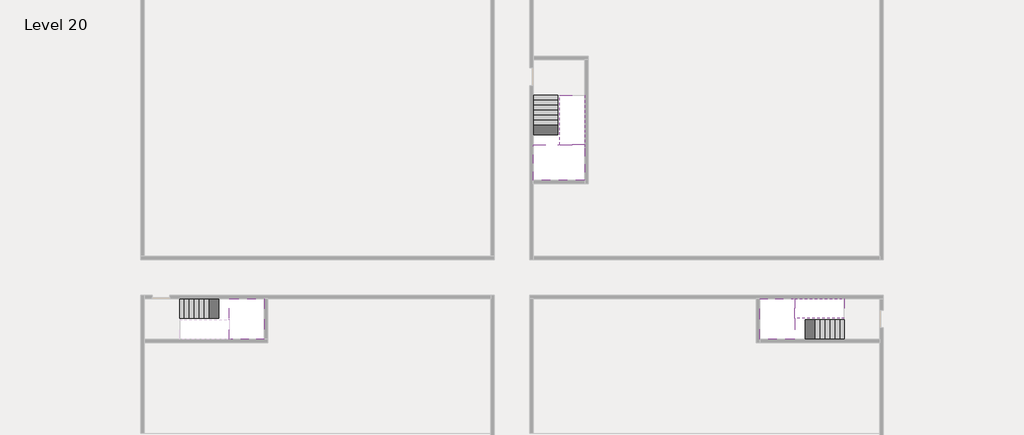
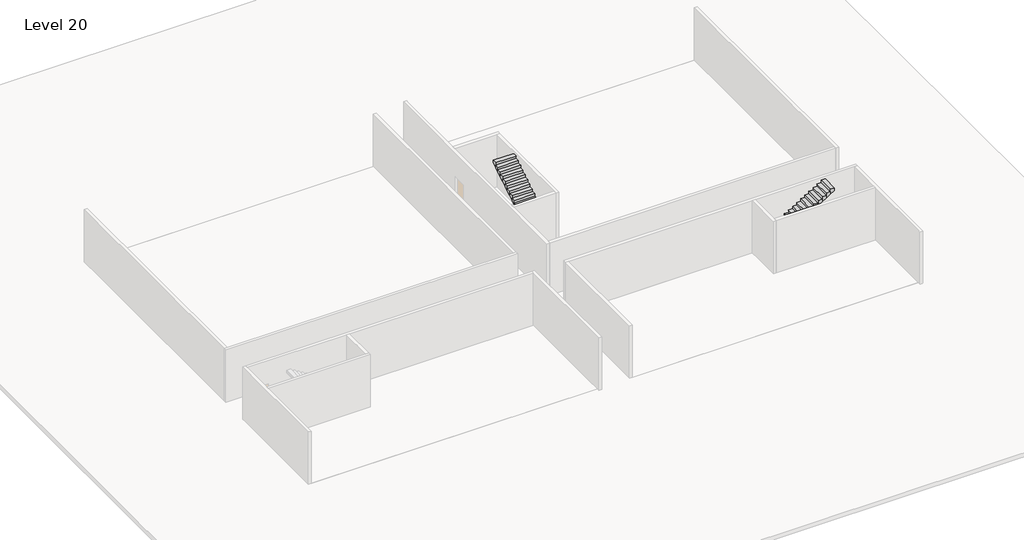
# One storey, part 2 of 2: 5 stair flights, 3 slabs.
"""IFC4 building model written with IfcOpenShell, lengths in millimetres."""

from ifc_helpers import new_model, si_unit, origin, place, context, project, spatial, faceted_brep, element, save

model = new_model("IFC4")

# Units and contexts
model_context = context("Model", 3, world=origin())
ifc_project = project(units=[si_unit("LENGTHUNIT", "METRE", prefix="MILLI")], contexts=[model_context])

# Site, building, storey
site = spatial("IfcSite", under=ifc_project)
building = spatial("IfcBuilding", under=site)
storey = spatial("IfcBuildingStorey", under=building, Name="Level 20", Elevation=72200.0)

# Slabs
placement = place(None, origin())
element("IfcSlab", 1, at=placement, inside=storey, context=model_context, shape_type="Brep", body=[
    faceted_brep([(8190.1058784, -42918.09644, 74100.0), (8190.1058784, -44018.09644, 74100.0), (8190.1058784, -44118.09644, 74100.0), (8190.1058784, -45218.09644, 74100.0), (8390.7194421, -45218.09644, 74100.0), (10190.1058784, -45218.09644, 74100.0), (10190.1058784, -42918.09644, 74100.0), (8269.4923146, -42918.09644, 74100.0), (8190.1058784, -42918.09644, 73927.2727273), (8190.1058784, -42918.09644, 73751.0278478), (8190.1058784, -44018.09644, 73751.0278478), (8190.1058784, -44018.09644, 73800.0), (8190.1058784, -44118.09644, 73800.0), (8190.1058784, -44118.09644, 73923.7551205), (8190.1058784, -45218.09644, 73923.7551205), (8390.7194421, -45218.09644, 73800.0), (10190.1058784, -45218.09644, 73800.0), (10190.1058784, -42918.09644, 73800.0), (8269.4923146, -42918.09644, 73800.0), (8390.7194421, -44118.09644, 73800.0), (8269.4923146, -44018.09644, 73800.0)], [[[0, 1, 2, 3, 4, 5, 6, 7]], [[1, 0, 8, 9, 10, 11]], [[2, 1, 11, 12, 13]], [[3, 2, 13, 14]], [[3, 14, 15, 16, 5, 4]], [[6, 5, 16, 17]], [[9, 8, 0, 7, 6, 17, 18]], [[19, 12, 11, 20, 18, 17, 16, 15]], [[12, 19, 13]], [[18, 20, 10, 9]], [[20, 11, 10]], [[19, 15, 14, 13]]]),
])
element("IfcSlab", 2, at=placement, inside=storey, context=model_context, shape_type="Brep", body=[
    faceted_brep([(40190.1058784, -45218.09644, 74100.0), (40190.1058784, -44118.09644, 74100.0), (40190.1058784, -44018.09644, 74100.0), (40190.1058784, -42918.09644, 74100.0), (39989.4923146, -42918.09644, 74100.0), (38190.1058784, -42918.09644, 74100.0), (38190.1058784, -45218.09644, 74100.0), (40110.7194421, -45218.09644, 74100.0), (40190.1058784, -45218.09644, 73927.2727273), (40190.1058784, -45218.09644, 73751.0278478), (40190.1058784, -44118.09644, 73751.0278478), (40190.1058784, -44118.09644, 73800.0), (40190.1058784, -44018.09644, 73800.0), (40190.1058784, -44018.09644, 73923.7551205), (40190.1058784, -42918.09644, 73923.7551205), (39989.4923146, -42918.09644, 73800.0), (38190.1058784, -42918.09644, 73800.0), (38190.1058784, -45218.09644, 73800.0), (40110.7194421, -45218.09644, 73800.0), (39989.4923146, -44018.09644, 73800.0), (40110.7194421, -44118.09644, 73800.0)], [[[0, 1, 2, 3, 4, 5, 6, 7]], [[1, 0, 8, 9, 10, 11]], [[2, 1, 11, 12, 13]], [[3, 2, 13, 14]], [[3, 14, 15, 16, 5, 4]], [[6, 5, 16, 17]], [[9, 8, 0, 7, 6, 17, 18]], [[19, 12, 11, 20, 18, 17, 16, 15]], [[12, 19, 13]], [[18, 20, 10, 9]], [[20, 11, 10]], [[19, 15, 14, 13]]]),
])
element("IfcSlab", 3, at=placement, inside=storey, context=model_context, shape_type="Brep", body=[
    faceted_brep([(26790.1058784, -34218.09644, 74100.0), (25390.1058784, -34218.09644, 74100.0), (25390.1058784, -34297.4828763, 74100.0), (25390.1058784, -36218.09644, 74100.0), (28290.1058784, -36218.09644, 74100.0), (28290.1058784, -34418.7100038, 74100.0), (28290.1058784, -34218.09644, 74100.0), (26890.1058784, -34218.09644, 74100.0), (26790.1058784, -34218.09644, 73800.0), (26790.1058784, -34218.09644, 73751.0278478), (25390.1058784, -34218.09644, 73751.0278478), (25390.1058784, -34218.09644, 73927.2727273), (25390.1058784, -34297.4828763, 73800.0), (25390.1058784, -36218.09644, 73800.0), (28290.1058784, -36218.09644, 73800.0), (28290.1058784, -34418.7100038, 73800.0), (28290.1058784, -34218.09644, 73923.7551205), (26890.1058784, -34218.09644, 73923.7551205), (26890.1058784, -34218.09644, 73800.0), (26890.1058784, -34418.7100038, 73800.0), (26790.1058784, -34297.4828763, 73800.0)], [[[0, 1, 2, 3, 4, 5, 6, 7]], [[1, 0, 8, 9, 10, 11]], [[1, 11, 10, 12, 13, 3, 2]], [[4, 3, 13, 14]], [[4, 14, 15, 16, 6, 5]], [[7, 6, 16, 17]], [[0, 7, 17, 18, 8]], [[18, 19, 15, 14, 13, 12, 20, 8]], [[19, 18, 17]], [[20, 12, 10, 9]], [[8, 20, 9]], [[15, 19, 17, 16]]]),
])

# Stair flights
element("IfcStairFlight", 4, at=placement, inside=storey, context=model_context, shape_type="Brep", body=[
    faceted_brep([(5670.1058784, -42918.09644, 72372.7272727), (5390.1058784, -42918.09644, 72372.7272727), (5390.1058784, -44018.09644, 72372.7272727), (5670.1058784, -44018.09644, 72372.7272727), (5670.1058784, -42918.09644, 72200.0), (5390.1058784, -42918.09644, 72200.0), (5390.1058784, -44018.09644, 72200.0), (5670.1058784, -44018.09644, 72200.0), (5950.1058784, -42918.09644, 72545.4545455), (5670.1058784, -42918.09644, 72545.4545455), (5670.1058784, -44018.09644, 72545.4545455), (5950.1058784, -44018.09644, 72545.4545455), (5950.1058784, -42918.09644, 72369.209666), (5675.8081041, -42918.09644, 72200.0), (5675.8081041, -44018.09644, 72200.0), (5950.1058784, -44018.09644, 72369.209666), (6230.1058784, -42918.09644, 72718.1818182), (5950.1058784, -42918.09644, 72718.1818182), (5950.1058784, -44018.09644, 72718.1818182), (6230.1058784, -44018.09644, 72718.1818182), (6230.1058784, -42918.09644, 72541.9369387), (6230.1058784, -44018.09644, 72541.9369387), (6510.1058784, -42918.09644, 72890.9090909), (6230.1058784, -42918.09644, 72890.9090909), (6230.1058784, -44018.09644, 72890.9090909), (6510.1058784, -44018.09644, 72890.9090909), (6510.1058784, -42918.09644, 72714.6642114), (6510.1058784, -44018.09644, 72714.6642114), (6790.1058784, -42918.09644, 73063.6363636), (6510.1058784, -42918.09644, 73063.6363636), (6510.1058784, -44018.09644, 73063.6363636), (6790.1058784, -44018.09644, 73063.6363636), (6790.1058784, -42918.09644, 72887.3914841), (6790.1058784, -44018.09644, 72887.3914841), (7070.1058784, -42918.09644, 73236.3636364), (6790.1058784, -42918.09644, 73236.3636364), (6790.1058784, -44018.09644, 73236.3636364), (7070.1058784, -44018.09644, 73236.3636364), (7070.1058784, -42918.09644, 73060.1187569), (7070.1058784, -44018.09644, 73060.1187569), (7350.1058784, -42918.09644, 73409.0909091), (7070.1058784, -42918.09644, 73409.0909091), (7070.1058784, -44018.09644, 73409.0909091), (7350.1058784, -44018.09644, 73409.0909091), (7350.1058784, -42918.09644, 73232.8460296), (7350.1058784, -44018.09644, 73232.8460296), (7630.1058784, -42918.09644, 73581.8181818), (7350.1058784, -42918.09644, 73581.8181818), (7350.1058784, -44018.09644, 73581.8181818), (7630.1058784, -44018.09644, 73581.8181818), (7630.1058784, -42918.09644, 73405.5733023), (7630.1058784, -44018.09644, 73405.5733023), (7910.1058784, -42918.09644, 73754.5454545), (7630.1058784, -42918.09644, 73754.5454545), (7630.1058784, -44018.09644, 73754.5454545), (7910.1058784, -44018.09644, 73754.5454545), (7910.1058784, -42918.09644, 73578.3005751), (7910.1058784, -44018.09644, 73578.3005751), (8190.1058784, -42918.09644, 73927.2727273), (7910.1058784, -42918.09644, 73927.2727273), (7910.1058784, -44018.09644, 73927.2727273), (8190.1058784, -44018.09644, 73927.2727273), (8190.1058784, -42918.09644, 73751.0278478), (8190.1058784, -44018.09644, 73751.0278478), (8190.1058784, -44018.09644, 73800.0)], [[[0, 1, 2, 3]], [[1, 0, 4, 5]], [[2, 1, 5, 6]], [[3, 2, 6, 7]], [[8, 9, 10, 11]], [[4, 0, 9, 8, 12, 13]], [[0, 3, 10, 9]], [[3, 7, 14, 15, 11, 10]], [[16, 17, 18, 19]], [[17, 16, 20, 12, 8]], [[8, 11, 18, 17]], [[19, 18, 11, 15, 21]], [[22, 23, 24, 25]], [[23, 22, 26, 20, 16]], [[16, 19, 24, 23]], [[25, 24, 19, 21, 27]], [[28, 29, 30, 31]], [[29, 28, 32, 26, 22]], [[22, 25, 30, 29]], [[31, 30, 25, 27, 33]], [[34, 35, 36, 37]], [[35, 34, 38, 32, 28]], [[28, 31, 36, 35]], [[37, 36, 31, 33, 39]], [[40, 41, 42, 43]], [[41, 40, 44, 38, 34]], [[34, 37, 42, 41]], [[43, 42, 37, 39, 45]], [[46, 47, 48, 49]], [[47, 46, 50, 44, 40]], [[40, 43, 48, 47]], [[49, 48, 43, 45, 51]], [[52, 53, 54, 55]], [[53, 52, 56, 50, 46]], [[46, 49, 54, 53]], [[55, 54, 49, 51, 57]], [[58, 59, 60, 61]], [[59, 58, 62, 56, 52]], [[52, 55, 60, 59]], [[61, 60, 55, 57, 63, 64]], [[58, 61, 64, 63, 62]], [[5, 4, 13, 14, 7, 6]], [[14, 13, 12, 20, 26, 32, 38, 44, 50, 56, 62, 63, 57, 51, 45, 39, 33, 27, 21, 15]]]),
])
element("IfcStairFlight", 5, at=placement, inside=storey, context=model_context, shape_type="Brep", body=[
    faceted_brep([(42710.1058784, -45218.09644, 72372.7272727), (42990.1058784, -45218.09644, 72372.7272727), (42990.1058784, -44118.09644, 72372.7272727), (42710.1058784, -44118.09644, 72372.7272727), (42710.1058784, -45218.09644, 72200.0), (42990.1058784, -45218.09644, 72200.0), (42990.1058784, -44118.09644, 72200.0), (42710.1058784, -44118.09644, 72200.0), (42430.1058784, -45218.09644, 72545.4545455), (42710.1058784, -45218.09644, 72545.4545455), (42710.1058784, -44118.09644, 72545.4545455), (42430.1058784, -44118.09644, 72545.4545455), (42430.1058784, -45218.09644, 72369.209666), (42704.4036527, -45218.09644, 72200.0), (42704.4036527, -44118.09644, 72200.0), (42430.1058784, -44118.09644, 72369.209666), (42150.1058784, -45218.09644, 72718.1818182), (42430.1058784, -45218.09644, 72718.1818182), (42430.1058784, -44118.09644, 72718.1818182), (42150.1058784, -44118.09644, 72718.1818182), (42150.1058784, -45218.09644, 72541.9369387), (42150.1058784, -44118.09644, 72541.9369387), (41870.1058784, -45218.09644, 72890.9090909), (42150.1058784, -45218.09644, 72890.9090909), (42150.1058784, -44118.09644, 72890.9090909), (41870.1058784, -44118.09644, 72890.9090909), (41870.1058784, -45218.09644, 72714.6642114), (41870.1058784, -44118.09644, 72714.6642114), (41590.1058784, -45218.09644, 73063.6363636), (41870.1058784, -45218.09644, 73063.6363636), (41870.1058784, -44118.09644, 73063.6363636), (41590.1058784, -44118.09644, 73063.6363636), (41590.1058784, -45218.09644, 72887.3914841), (41590.1058784, -44118.09644, 72887.3914841), (41310.1058784, -45218.09644, 73236.3636364), (41590.1058784, -45218.09644, 73236.3636364), (41590.1058784, -44118.09644, 73236.3636364), (41310.1058784, -44118.09644, 73236.3636364), (41310.1058784, -45218.09644, 73060.1187569), (41310.1058784, -44118.09644, 73060.1187569), (41030.1058784, -45218.09644, 73409.0909091), (41310.1058784, -45218.09644, 73409.0909091), (41310.1058784, -44118.09644, 73409.0909091), (41030.1058784, -44118.09644, 73409.0909091), (41030.1058784, -45218.09644, 73232.8460296), (41030.1058784, -44118.09644, 73232.8460296), (40750.1058784, -45218.09644, 73581.8181818), (41030.1058784, -45218.09644, 73581.8181818), (41030.1058784, -44118.09644, 73581.8181818), (40750.1058784, -44118.09644, 73581.8181818), (40750.1058784, -45218.09644, 73405.5733023), (40750.1058784, -44118.09644, 73405.5733023), (40470.1058784, -45218.09644, 73754.5454545), (40750.1058784, -45218.09644, 73754.5454545), (40750.1058784, -44118.09644, 73754.5454545), (40470.1058784, -44118.09644, 73754.5454545), (40470.1058784, -45218.09644, 73578.3005751), (40470.1058784, -44118.09644, 73578.3005751), (40190.1058784, -45218.09644, 73927.2727273), (40470.1058784, -45218.09644, 73927.2727273), (40470.1058784, -44118.09644, 73927.2727273), (40190.1058784, -44118.09644, 73927.2727273), (40190.1058784, -45218.09644, 73751.0278478), (40190.1058784, -44118.09644, 73751.0278478), (40190.1058784, -44118.09644, 73800.0)], [[[0, 1, 2, 3]], [[1, 0, 4, 5]], [[2, 1, 5, 6]], [[3, 2, 6, 7]], [[8, 9, 10, 11]], [[4, 0, 9, 8, 12, 13]], [[0, 3, 10, 9]], [[3, 7, 14, 15, 11, 10]], [[16, 17, 18, 19]], [[17, 16, 20, 12, 8]], [[8, 11, 18, 17]], [[19, 18, 11, 15, 21]], [[22, 23, 24, 25]], [[23, 22, 26, 20, 16]], [[16, 19, 24, 23]], [[25, 24, 19, 21, 27]], [[28, 29, 30, 31]], [[29, 28, 32, 26, 22]], [[22, 25, 30, 29]], [[31, 30, 25, 27, 33]], [[34, 35, 36, 37]], [[35, 34, 38, 32, 28]], [[28, 31, 36, 35]], [[37, 36, 31, 33, 39]], [[40, 41, 42, 43]], [[41, 40, 44, 38, 34]], [[34, 37, 42, 41]], [[43, 42, 37, 39, 45]], [[46, 47, 48, 49]], [[47, 46, 50, 44, 40]], [[40, 43, 48, 47]], [[49, 48, 43, 45, 51]], [[52, 53, 54, 55]], [[53, 52, 56, 50, 46]], [[46, 49, 54, 53]], [[55, 54, 49, 51, 57]], [[58, 59, 60, 61]], [[59, 58, 62, 56, 52]], [[52, 55, 60, 59]], [[61, 60, 55, 57, 63, 64]], [[58, 61, 64, 63, 62]], [[5, 4, 13, 14, 7, 6]], [[14, 13, 12, 20, 26, 32, 38, 44, 50, 56, 62, 63, 57, 51, 45, 39, 33, 27, 21, 15]]]),
])
element("IfcStairFlight", 6, at=placement, inside=storey, context=model_context, shape_type="Brep", body=[
    faceted_brep([(40470.1058784, -42918.09644, 74272.7272727), (40190.1058784, -42918.09644, 74272.7272727), (40190.1058784, -44018.09644, 74272.7272727), (40470.1058784, -44018.09644, 74272.7272727), (40470.1058784, -42918.09644, 74096.4823932), (40190.1058784, -42918.09644, 73923.7551205), (40190.1058784, -42918.09644, 74100.0), (40190.1058784, -44018.09644, 73923.7551205), (40470.1058784, -44018.09644, 74096.4823932), (40750.1058784, -42918.09644, 74445.4545455), (40470.1058784, -42918.09644, 74445.4545455), (40470.1058784, -44018.09644, 74445.4545455), (40750.1058784, -44018.09644, 74445.4545455), (40750.1058784, -42918.09644, 74269.209666), (40750.1058784, -44018.09644, 74269.209666), (41030.1058784, -42918.09644, 74618.1818182), (40750.1058784, -42918.09644, 74618.1818182), (40750.1058784, -44018.09644, 74618.1818182), (41030.1058784, -44018.09644, 74618.1818182), (41030.1058784, -42918.09644, 74441.9369387), (41030.1058784, -44018.09644, 74441.9369387), (41310.1058784, -42918.09644, 74790.9090909), (41030.1058784, -42918.09644, 74790.9090909), (41030.1058784, -44018.09644, 74790.9090909), (41310.1058784, -44018.09644, 74790.9090909), (41310.1058784, -42918.09644, 74614.6642114), (41310.1058784, -44018.09644, 74614.6642114), (41590.1058784, -42918.09644, 74963.6363636), (41310.1058784, -42918.09644, 74963.6363636), (41310.1058784, -44018.09644, 74963.6363636), (41590.1058784, -44018.09644, 74963.6363636), (41590.1058784, -42918.09644, 74787.3914841), (41590.1058784, -44018.09644, 74787.3914841), (41870.1058784, -42918.09644, 75136.3636364), (41590.1058784, -42918.09644, 75136.3636364), (41590.1058784, -44018.09644, 75136.3636364), (41870.1058784, -44018.09644, 75136.3636364), (41870.1058784, -42918.09644, 74960.1187569), (41870.1058784, -44018.09644, 74960.1187569), (42150.1058784, -42918.09644, 75309.0909091), (41870.1058784, -42918.09644, 75309.0909091), (41870.1058784, -44018.09644, 75309.0909091), (42150.1058784, -44018.09644, 75309.0909091), (42150.1058784, -42918.09644, 75132.8460296), (42150.1058784, -44018.09644, 75132.8460296), (42430.1058784, -42918.09644, 75481.8181818), (42150.1058784, -42918.09644, 75481.8181818), (42150.1058784, -44018.09644, 75481.8181818), (42430.1058784, -44018.09644, 75481.8181818), (42430.1058784, -42918.09644, 75305.5733023), (42430.1058784, -44018.09644, 75305.5733023), (42710.1058784, -42918.09644, 75654.5454545), (42430.1058784, -42918.09644, 75654.5454545), (42430.1058784, -44018.09644, 75654.5454545), (42710.1058784, -44018.09644, 75654.5454545), (42710.1058784, -42918.09644, 75478.3005751), (42710.1058784, -44018.09644, 75478.3005751), (42990.1058784, -42918.09644, 75827.2727273), (42710.1058784, -42918.09644, 75827.2727273), (42710.1058784, -44018.09644, 75827.2727273), (42990.1058784, -44018.09644, 75827.2727273), (42990.1058784, -42918.09644, 75651.0278478), (42990.1058784, -44018.09644, 75651.0278478)], [[[0, 1, 2, 3]], [[1, 0, 4, 5, 6]], [[2, 1, 6, 5, 7]], [[3, 2, 7, 8]], [[9, 10, 11, 12]], [[10, 9, 13, 4, 0]], [[11, 10, 0, 3]], [[12, 11, 3, 8, 14]], [[15, 16, 17, 18]], [[16, 15, 19, 13, 9]], [[17, 16, 9, 12]], [[18, 17, 12, 14, 20]], [[21, 22, 23, 24]], [[22, 21, 25, 19, 15]], [[23, 22, 15, 18]], [[24, 23, 18, 20, 26]], [[27, 28, 29, 30]], [[28, 27, 31, 25, 21]], [[29, 28, 21, 24]], [[30, 29, 24, 26, 32]], [[33, 34, 35, 36]], [[34, 33, 37, 31, 27]], [[35, 34, 27, 30]], [[36, 35, 30, 32, 38]], [[39, 40, 41, 42]], [[40, 39, 43, 37, 33]], [[41, 40, 33, 36]], [[42, 41, 36, 38, 44]], [[45, 46, 47, 48]], [[46, 45, 49, 43, 39]], [[47, 46, 39, 42]], [[48, 47, 42, 44, 50]], [[51, 52, 53, 54]], [[52, 51, 55, 49, 45]], [[53, 52, 45, 48]], [[54, 53, 48, 50, 56]], [[57, 58, 59, 60]], [[58, 57, 61, 55, 51]], [[59, 58, 51, 54]], [[60, 59, 54, 56, 62]], [[57, 60, 62, 61]], [[5, 4, 13, 19, 25, 31, 37, 43, 49, 55, 61, 62, 56, 50, 44, 38, 32, 26, 20, 14, 8, 7]]]),
])
element("IfcStairFlight", 7, at=placement, inside=storey, context=model_context, shape_type="Brep", body=[
    faceted_brep([(26790.1058784, -31698.09644, 72372.7272727), (26790.1058784, -31418.09644, 72372.7272727), (25390.1058784, -31418.09644, 72372.7272727), (25390.1058784, -31698.09644, 72372.7272727), (26790.1058784, -31698.09644, 72200.0), (26790.1058784, -31418.09644, 72200.0), (25390.1058784, -31418.09644, 72200.0), (25390.1058784, -31698.09644, 72200.0), (26790.1058784, -31978.09644, 72545.4545455), (26790.1058784, -31698.09644, 72545.4545455), (25390.1058784, -31698.09644, 72545.4545455), (25390.1058784, -31978.09644, 72545.4545455), (26790.1058784, -31978.09644, 72369.209666), (26790.1058784, -31703.7986657, 72200.0), (25390.1058784, -31703.7986657, 72200.0), (25390.1058784, -31978.09644, 72369.209666), (26790.1058784, -32258.09644, 72718.1818182), (26790.1058784, -31978.09644, 72718.1818182), (25390.1058784, -31978.09644, 72718.1818182), (25390.1058784, -32258.09644, 72718.1818182), (26790.1058784, -32258.09644, 72541.9369387), (25390.1058784, -32258.09644, 72541.9369387), (26790.1058784, -32538.09644, 72890.9090909), (26790.1058784, -32258.09644, 72890.9090909), (25390.1058784, -32258.09644, 72890.9090909), (25390.1058784, -32538.09644, 72890.9090909), (26790.1058784, -32538.09644, 72714.6642114), (25390.1058784, -32538.09644, 72714.6642114), (26790.1058784, -32818.09644, 73063.6363636), (26790.1058784, -32538.09644, 73063.6363636), (25390.1058784, -32538.09644, 73063.6363636), (25390.1058784, -32818.09644, 73063.6363636), (26790.1058784, -32818.09644, 72887.3914841), (25390.1058784, -32818.09644, 72887.3914841), (26790.1058784, -33098.09644, 73236.3636364), (26790.1058784, -32818.09644, 73236.3636364), (25390.1058784, -32818.09644, 73236.3636364), (25390.1058784, -33098.09644, 73236.3636364), (26790.1058784, -33098.09644, 73060.1187569), (25390.1058784, -33098.09644, 73060.1187569), (26790.1058784, -33378.09644, 73409.0909091), (26790.1058784, -33098.09644, 73409.0909091), (25390.1058784, -33098.09644, 73409.0909091), (25390.1058784, -33378.09644, 73409.0909091), (26790.1058784, -33378.09644, 73232.8460296), (25390.1058784, -33378.09644, 73232.8460296), (26790.1058784, -33658.09644, 73581.8181818), (26790.1058784, -33378.09644, 73581.8181818), (25390.1058784, -33378.09644, 73581.8181818), (25390.1058784, -33658.09644, 73581.8181818), (26790.1058784, -33658.09644, 73405.5733023), (25390.1058784, -33658.09644, 73405.5733023), (26790.1058784, -33938.09644, 73754.5454545), (26790.1058784, -33658.09644, 73754.5454545), (25390.1058784, -33658.09644, 73754.5454545), (25390.1058784, -33938.09644, 73754.5454545), (26790.1058784, -33938.09644, 73578.3005751), (25390.1058784, -33938.09644, 73578.3005751), (26790.1058784, -34218.09644, 73927.2727273), (26790.1058784, -33938.09644, 73927.2727273), (25390.1058784, -33938.09644, 73927.2727273), (25390.1058784, -34218.09644, 73927.2727273), (26790.1058784, -34218.09644, 73800.0), (26790.1058784, -34218.09644, 73751.0278478), (25390.1058784, -34218.09644, 73751.0278478)], [[[0, 1, 2, 3]], [[1, 0, 4, 5]], [[2, 1, 5, 6]], [[3, 2, 6, 7]], [[8, 9, 10, 11]], [[4, 0, 9, 8, 12, 13]], [[0, 3, 10, 9]], [[3, 7, 14, 15, 11, 10]], [[16, 17, 18, 19]], [[17, 16, 20, 12, 8]], [[8, 11, 18, 17]], [[19, 18, 11, 15, 21]], [[22, 23, 24, 25]], [[23, 22, 26, 20, 16]], [[16, 19, 24, 23]], [[25, 24, 19, 21, 27]], [[28, 29, 30, 31]], [[29, 28, 32, 26, 22]], [[22, 25, 30, 29]], [[31, 30, 25, 27, 33]], [[34, 35, 36, 37]], [[35, 34, 38, 32, 28]], [[28, 31, 36, 35]], [[37, 36, 31, 33, 39]], [[40, 41, 42, 43]], [[41, 40, 44, 38, 34]], [[34, 37, 42, 41]], [[43, 42, 37, 39, 45]], [[46, 47, 48, 49]], [[47, 46, 50, 44, 40]], [[40, 43, 48, 47]], [[49, 48, 43, 45, 51]], [[52, 53, 54, 55]], [[53, 52, 56, 50, 46]], [[46, 49, 54, 53]], [[55, 54, 49, 51, 57]], [[58, 59, 60, 61]], [[59, 58, 62, 63, 56, 52]], [[52, 55, 60, 59]], [[61, 60, 55, 57, 64]], [[58, 61, 64, 63, 62]], [[5, 4, 13, 14, 7, 6]], [[14, 13, 12, 20, 26, 32, 38, 44, 50, 56, 63, 64, 57, 51, 45, 39, 33, 27, 21, 15]]]),
])
element("IfcStairFlight", 8, at=placement, inside=storey, context=model_context, shape_type="Brep", body=[
    faceted_brep([(26890.1058784, -33938.09644, 74272.7272727), (26890.1058784, -34218.09644, 74272.7272727), (28290.1058784, -34218.09644, 74272.7272727), (28290.1058784, -33938.09644, 74272.7272727), (26890.1058784, -33938.09644, 74096.4823932), (26890.1058784, -34218.09644, 73923.7551205), (28290.1058784, -34218.09644, 73923.7551205), (28290.1058784, -34218.09644, 74100.0), (28290.1058784, -33938.09644, 74096.4823932), (26890.1058784, -33658.09644, 74445.4545455), (26890.1058784, -33938.09644, 74445.4545455), (28290.1058784, -33938.09644, 74445.4545455), (28290.1058784, -33658.09644, 74445.4545455), (26890.1058784, -33658.09644, 74269.209666), (28290.1058784, -33658.09644, 74269.209666), (26890.1058784, -33378.09644, 74618.1818182), (26890.1058784, -33658.09644, 74618.1818182), (28290.1058784, -33658.09644, 74618.1818182), (28290.1058784, -33378.09644, 74618.1818182), (26890.1058784, -33378.09644, 74441.9369387), (28290.1058784, -33378.09644, 74441.9369387), (26890.1058784, -33098.09644, 74790.9090909), (26890.1058784, -33378.09644, 74790.9090909), (28290.1058784, -33378.09644, 74790.9090909), (28290.1058784, -33098.09644, 74790.9090909), (26890.1058784, -33098.09644, 74614.6642114), (28290.1058784, -33098.09644, 74614.6642114), (26890.1058784, -32818.09644, 74963.6363636), (26890.1058784, -33098.09644, 74963.6363636), (28290.1058784, -33098.09644, 74963.6363636), (28290.1058784, -32818.09644, 74963.6363636), (26890.1058784, -32818.09644, 74787.3914841), (28290.1058784, -32818.09644, 74787.3914841), (26890.1058784, -32538.09644, 75136.3636364), (26890.1058784, -32818.09644, 75136.3636364), (28290.1058784, -32818.09644, 75136.3636364), (28290.1058784, -32538.09644, 75136.3636364), (26890.1058784, -32538.09644, 74960.1187569), (28290.1058784, -32538.09644, 74960.1187569), (26890.1058784, -32258.09644, 75309.0909091), (26890.1058784, -32538.09644, 75309.0909091), (28290.1058784, -32538.09644, 75309.0909091), (28290.1058784, -32258.09644, 75309.0909091), (26890.1058784, -32258.09644, 75132.8460296), (28290.1058784, -32258.09644, 75132.8460296), (26890.1058784, -31978.09644, 75481.8181818), (26890.1058784, -32258.09644, 75481.8181818), (28290.1058784, -32258.09644, 75481.8181818), (28290.1058784, -31978.09644, 75481.8181818), (26890.1058784, -31978.09644, 75305.5733023), (28290.1058784, -31978.09644, 75305.5733023), (26890.1058784, -31698.09644, 75654.5454545), (26890.1058784, -31978.09644, 75654.5454545), (28290.1058784, -31978.09644, 75654.5454545), (28290.1058784, -31698.09644, 75654.5454545), (26890.1058784, -31698.09644, 75478.3005751), (28290.1058784, -31698.09644, 75478.3005751), (26890.1058784, -31418.09644, 75827.2727273), (26890.1058784, -31698.09644, 75827.2727273), (28290.1058784, -31698.09644, 75827.2727273), (28290.1058784, -31418.09644, 75827.2727273), (26890.1058784, -31418.09644, 75651.0278478), (28290.1058784, -31418.09644, 75651.0278478)], [[[0, 1, 2, 3]], [[1, 0, 4, 5]], [[2, 1, 5, 6, 7]], [[3, 2, 7, 6, 8]], [[9, 10, 11, 12]], [[10, 9, 13, 4, 0]], [[11, 10, 0, 3]], [[12, 11, 3, 8, 14]], [[15, 16, 17, 18]], [[16, 15, 19, 13, 9]], [[17, 16, 9, 12]], [[18, 17, 12, 14, 20]], [[21, 22, 23, 24]], [[22, 21, 25, 19, 15]], [[23, 22, 15, 18]], [[24, 23, 18, 20, 26]], [[27, 28, 29, 30]], [[28, 27, 31, 25, 21]], [[29, 28, 21, 24]], [[30, 29, 24, 26, 32]], [[33, 34, 35, 36]], [[34, 33, 37, 31, 27]], [[35, 34, 27, 30]], [[36, 35, 30, 32, 38]], [[39, 40, 41, 42]], [[40, 39, 43, 37, 33]], [[41, 40, 33, 36]], [[42, 41, 36, 38, 44]], [[45, 46, 47, 48]], [[46, 45, 49, 43, 39]], [[47, 46, 39, 42]], [[48, 47, 42, 44, 50]], [[51, 52, 53, 54]], [[52, 51, 55, 49, 45]], [[53, 52, 45, 48]], [[54, 53, 48, 50, 56]], [[57, 58, 59, 60]], [[58, 57, 61, 55, 51]], [[59, 58, 51, 54]], [[60, 59, 54, 56, 62]], [[57, 60, 62, 61]], [[5, 4, 13, 19, 25, 31, 37, 43, 49, 55, 61, 62, 56, 50, 44, 38, 32, 26, 20, 14, 8, 6]]]),
])

save(model, "model.ifc")
